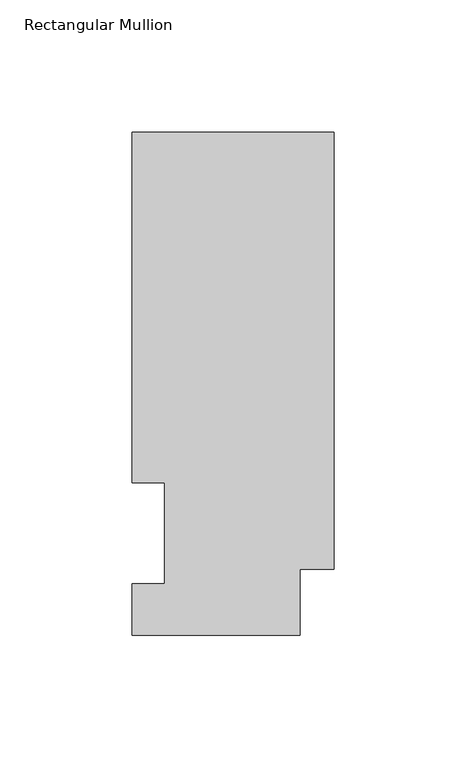
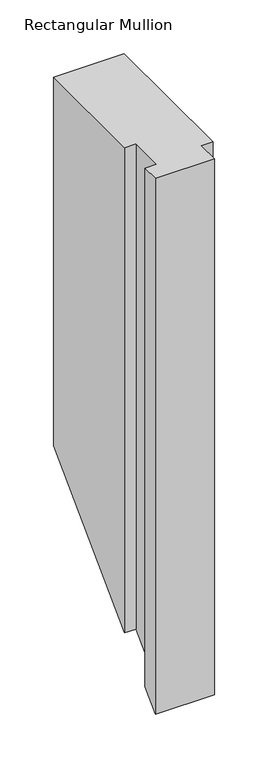
"""IFC4 building model written with IfcOpenShell, lengths in millimetres: member geometry, Rectangular Mullion."""

from ifc_helpers import new_model, si_unit, origin, place, context, project, spatial, faceted_brep, source, transform, mapped, element, save


def rectangular_mullion_d46f080b(model_context):
    return source(origin(), model_context, "Body", "Brep", [
        faceted_brep([(-76.2, 190.0816937, 0.0), (-76.2, 57.6460938, 0.0), (-63.8581605, 57.6460937, 0.0), (-63.8581605, 19.5460937, 0.0), (-76.2, 19.5460937, 0.0), (-76.2, 0.0134937, 0.0), (-12.7, 0.0134937, 0.0), (-12.7, 25.0832937, 0.0), (0.0, 25.0832937, 0.0), (0.0, 190.0816937, 0.0), (-76.2, 190.0816937, -419.4865563), (-76.2, 57.6460937, -551.9221563), (-63.8581605, 57.6460937, -551.9221563), (-63.8581605, 19.5460937, -590.0221563), (-76.2, 19.5460937, -590.0221563), (-76.2, 0.0134937, -609.5547563), (-12.7, 0.0134937, -609.5547563), (-12.7, 25.0832937, -584.4849563), (0.0, 25.0832937, -584.4849563), (0.0, 190.0816937, -419.4865563)], [[[0, 1, 2, 3, 4, 5, 6, 7, 8, 9]], [[1, 0, 10, 11]], [[2, 1, 11, 12]], [[3, 2, 12, 13]], [[4, 3, 13, 14]], [[5, 4, 14, 15]], [[6, 5, 15, 16]], [[7, 6, 16, 17]], [[8, 7, 17, 18]], [[9, 8, 18, 19]], [[0, 9, 19, 10]], [[10, 19, 18, 17, 16, 15, 14, 13, 12, 11]]]),
    ])


if __name__ == "__main__":
    model = new_model("IFC4")
    model_context = context("Model", 3, world=origin())
    ifc_project = project(units=[si_unit("LENGTHUNIT", "METRE", prefix="MILLI")], contexts=[model_context])
    site = spatial("IfcSite", under=ifc_project)
    building = spatial("IfcBuilding", under=site)
    placement = place(None, origin())
    rectangular_mullion_shape = rectangular_mullion_d46f080b(model_context)
    element("IfcMember", 1, ObjectType="Rectangular Mullion", at=placement, inside=building, context=model_context, shape_type="MappedRepresentation", body=[
        mapped(rectangular_mullion_shape, transform((0.0, 0.0, 0.0), x_axis=(1.0, 0.0, 0.0), y_axis=(0.0, 1.0, 0.0), z_axis=(0.0, 0.0, 1.0))),
    ])
    save(model, "model.ifc")
